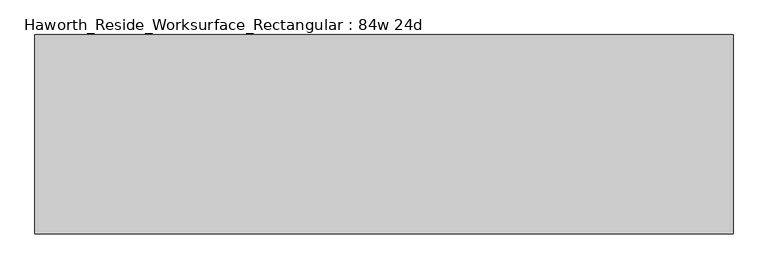
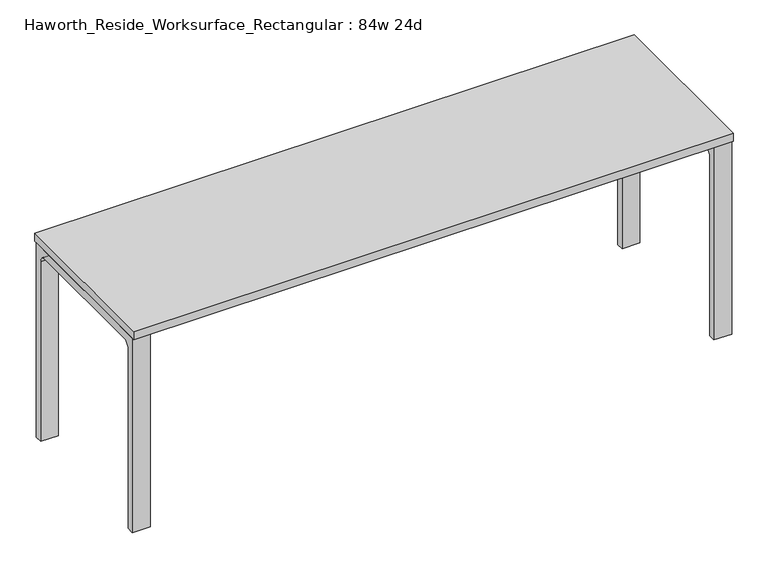
"""IFC4 building model written with IfcOpenShell, lengths in millimetres: furniture geometry, Haworth_Reside_Worksurface_Rectangular : 84w 24d."""

import ifcopenshell
import ifcopenshell.guid

model = None  # the IFC model being written
_history = None  # IfcOwnerHistory: only IFC2X3 demands one
_inside = {}  # id of a spatial element -> (the spatial element, [elements in it])
_under = {}  # id of a project, library or spatial element -> (it, [spatial elements below it])
_declared = {}  # id of a project -> (the project, [libraries it declares])
_typed = {}  # id of a type object -> (the type object, [elements of that type])
_made_of = {}  # id of a material, layer set ... -> (it, [elements and type objects made of it])


def new_model(schema):
    """Start an empty IFC model of exactly this schema.

    Asked for "IFC4X3", IfcOpenShell would pick the latest addendum, in which some entities
    have other attributes; the version numbers below select the first issue.
    IFC2X3 requires an IfcOwnerHistory on every rooted entity: one is made here for all.
    """
    global model, _history
    if schema == "IFC4X3":
        model = ifcopenshell.file(schema_version=(4, 3, 0, 0))
    else:
        model = ifcopenshell.file(schema=schema)
    _inside.clear()
    _under.clear()
    _declared.clear()
    _typed.clear()
    _made_of.clear()
    _history = None
    if model.schema == "IFC2X3":
        org = make("IfcOrganization", Name="unknown")
        user = make(
            "IfcPersonAndOrganization",
            ThePerson=make("IfcPerson", FamilyName="unknown"),
            TheOrganization=org,
        )
        app = make(
            "IfcApplication",
            ApplicationDeveloper=org,
            Version="unknown",
            ApplicationFullName="unknown",
            ApplicationIdentifier="unknown",
        )
        _history = make(
            "IfcOwnerHistory",
            OwningUser=user,
            OwningApplication=app,
            ChangeAction="ADDED",
            CreationDate=0,
        )
    return model


def make(cls, **values):
    """One entity of the class cls with the attributes given. An attribute that is None is left unset."""
    return model.create_entity(
        cls, **{name: value for name, value in values.items() if value is not None}
    )


def rooted(cls, **values):
    """An entity with a GlobalId (a new one), such as an element, a storey or a relation."""
    return make(cls, GlobalId=ifcopenshell.guid.new(), OwnerHistory=_history, **values)


def si_unit(unit_type, name, prefix=None):
    """IfcSIUnit, for example si_unit("LENGTHUNIT", "METRE", prefix="MILLI")."""
    return make("IfcSIUnit", UnitType=unit_type, Prefix=prefix, Name=name)


def assignment(units):
    """IfcUnitAssignment: the units of a project."""
    return None if units is None else make("IfcUnitAssignment", Units=units)


def point(xyz):
    """IfcCartesianPoint."""
    return None if xyz is None else make("IfcCartesianPoint", Coordinates=xyz)


def direction(xyz):
    """IfcDirection."""
    return None if xyz is None else make("IfcDirection", DirectionRatios=xyz)


def frame(location, z_axis=None, x_axis=None):
    """IfcAxis2Placement3D, a coordinate frame: its origin and axes. An axis left out is left unset."""
    return make(
        "IfcAxis2Placement3D",
        Location=point(location),
        Axis=direction(z_axis),
        RefDirection=direction(x_axis),
    )


def frame_2d(location, x_axis=None):
    """IfcAxis2Placement2D, a coordinate frame in the plane: its origin and x axis."""
    return make(
        "IfcAxis2Placement2D", Location=point(location), RefDirection=direction(x_axis)
    )


def origin():
    """The frame at (0, 0, 0) with its axes left unset."""
    return frame((0.0, 0.0, 0.0))


def place(relative_to, where):
    """IfcLocalPlacement: puts the frame where relative to a parent placement (None: the world)."""
    return make(
        "IfcLocalPlacement", PlacementRelTo=relative_to, RelativePlacement=where
    )


def context(
    kind, dimensions, precision=None, world=None, true_north=None, identifier=None
):
    """IfcGeometricRepresentationContext, for example the 3D "Model" context."""
    return make(
        "IfcGeometricRepresentationContext",
        ContextIdentifier=identifier,
        ContextType=kind,
        CoordinateSpaceDimension=dimensions,
        Precision=precision,
        WorldCoordinateSystem=world,
        TrueNorth=true_north,
    )


def project(units=None, contexts=None):
    """IfcProject with its units and contexts."""
    return rooted(
        "IfcProject",
        Name="project",
        RepresentationContexts=contexts,
        UnitsInContext=assignment(units),
    )


def spatial(cls, under=None, at=None, **own):
    """A site, building, storey or space (cls), placed at a placement, below another one or the project."""
    s = rooted(cls, ObjectPlacement=at, **own)
    if under is not None:
        _under.setdefault(under.id(), (under, []))[1].append(s)
    return s


def polyline(points):
    """IfcPolyline through the points."""
    return make("IfcPolyline", Points=[point(p) for p in points])


def circle_curve(where, radius):
    """IfcCircle in the frame where."""
    return make("IfcCircle", Position=where, Radius=radius)


def trimmed(basis, trim1, trim2, sense, master):
    """IfcTrimmedCurve: the piece of a basis curve between two trims."""
    return make(
        "IfcTrimmedCurve",
        BasisCurve=basis,
        Trim1=trim1,
        Trim2=trim2,
        SenseAgreement=sense,
        MasterRepresentation=master,
    )


def segment(curve, same_sense, transition):
    """IfcCompositeCurveSegment."""
    return make(
        "IfcCompositeCurveSegment",
        Transition=transition,
        SameSense=same_sense,
        ParentCurve=curve,
    )


def composite_curve(segments, self_intersect=None):
    """IfcCompositeCurve: segments joined end to end."""
    return make("IfcCompositeCurve", Segments=segments, SelfIntersect=self_intersect)


def outline(outer, holes=None, kind="AREA"):
    """IfcArbitraryClosedProfileDef: a profile drawn as a closed curve; with holes, ...WithVoids."""
    if holes is None:
        return make("IfcArbitraryClosedProfileDef", ProfileType=kind, OuterCurve=outer)
    return make(
        "IfcArbitraryProfileDefWithVoids",
        ProfileType=kind,
        OuterCurve=outer,
        InnerCurves=holes,
    )


def extrude(swept, where, along, depth):
    """IfcExtrudedAreaSolid: the profile swept, set in the frame where, extruded along a direction by depth."""
    return make(
        "IfcExtrudedAreaSolid",
        SweptArea=swept,
        Position=where,
        ExtrudedDirection=direction(along),
        Depth=depth,
    )


def shape(context_of_items, identifier, shape_type, items):
    """IfcShapeRepresentation: the items that make up one representation, for example the "Body"."""
    return make(
        "IfcShapeRepresentation",
        ContextOfItems=context_of_items,
        RepresentationIdentifier=identifier,
        RepresentationType=shape_type,
        Items=items,
    )


def source(mapping_origin, context_of_items, identifier, shape_type, items):
    """IfcRepresentationMap: a shape defined once, which mapped items show again and again."""
    return make(
        "IfcRepresentationMap",
        MappingOrigin=mapping_origin,
        MappedRepresentation=shape(context_of_items, identifier, shape_type, items),
    )


def transform(
    local_origin,
    x_axis=None,
    y_axis=None,
    z_axis=None,
    scale=None,
    scale2=None,
    scale3=None,
    uniform=True,
):
    """IfcCartesianTransformationOperator3D, or its non-uniform kind. x_axis, y_axis, z_axis: its Axis1, 2, 3."""
    if uniform:
        return make(
            "IfcCartesianTransformationOperator3D",
            Axis1=direction(x_axis),
            Axis2=direction(y_axis),
            LocalOrigin=point(local_origin),
            Scale=scale,
            Axis3=direction(z_axis),
        )
    return make(
        "IfcCartesianTransformationOperator3DnonUniform",
        Axis1=direction(x_axis),
        Axis2=direction(y_axis),
        LocalOrigin=point(local_origin),
        Scale=scale,
        Axis3=direction(z_axis),
        Scale2=scale2,
        Scale3=scale3,
    )


def mapped(mapping_source, mapping_target):
    """IfcMappedItem: shows the shape of a source again, moved by a transform."""
    return make(
        "IfcMappedItem", MappingSource=mapping_source, MappingTarget=mapping_target
    )


def made_of(thing, what):
    """Note that an element or type object is made of a material, layer set ...; save() writes the relation."""
    if what is not None:
        _made_of.setdefault(what.id(), (what, []))[1].append(thing)
    return thing


def element(
    cls,
    number,
    at=None,
    inside=None,
    cuts=None,
    type_object=None,
    material=None,
    context=None,
    identifier="Body",
    shape_type=None,
    held_by="IfcProductDefinitionShape",
    body=None,
    shapes=None,
    **own,
):
    """One element of the class cls, such as IfcWall. Its Tag is "e" and its number.

    at: its placement. inside: the storey or other place that contains it. cuts: it is an
    opening in that element (IfcRelVoidsElement). A single representation is given by context,
    identifier, shape_type and body (its items); several are given by shapes. held_by: the class
    of the entity that holds the representations. save() writes the other relations.
    """
    e = rooted(cls, Tag="e%d" % number, ObjectPlacement=at, **own)
    if body is not None:
        shapes = [shape(context, identifier, shape_type, body)]
    if shapes is not None:
        e.Representation = make(held_by, Representations=shapes)
    if inside is not None:
        _inside.setdefault(inside.id(), (inside, []))[1].append(e)
    if cuts is not None:
        rooted(
            "IfcRelVoidsElement", RelatingBuildingElement=cuts, RelatedOpeningElement=e
        )
    if type_object is not None:
        _typed.setdefault(type_object.id(), (type_object, []))[1].append(e)
    return made_of(e, material)


def aggregate(whole, parts):
    """IfcRelAggregates: a whole, such as a stair, and the parts it consists of."""
    return rooted("IfcRelAggregates", RelatingObject=whole, RelatedObjects=parts)


def save(model, path):
    """Write the relations noted so far, then the file.

    IfcRelAggregates (storeys below a building ...), IfcRelContainedInSpatialStructure (elements
    in a storey), IfcRelDefinesByType, IfcRelAssociatesMaterial and IfcRelDeclares: one each for
    every whole, place, type object, material and project.
    """
    for whole, parts in _under.values():
        aggregate(whole, parts)
    for where, things in _inside.values():
        rooted(
            "IfcRelContainedInSpatialStructure",
            RelatedElements=things,
            RelatingStructure=where,
        )
    for kind, things in _typed.values():
        rooted("IfcRelDefinesByType", RelatedObjects=things, RelatingType=kind)
    for what, things in _made_of.values():
        rooted("IfcRelAssociatesMaterial", RelatedObjects=things, RelatingMaterial=what)
    for by, libraries in _declared.values():
        rooted("IfcRelDeclares", RelatingContext=by, RelatedDefinitions=libraries)
    model.write(path)


def haworth_reside_worksurface_rectangular_84w_24d_b33cf019(model_context):
    return source(origin(), model_context, "Body", "SweptSolid", [
        extrude(outline(composite_curve([segment(trimmed(circle_curve(frame_2d((244.475, 676.275)), 25.4), [point((269.875, 676.275))], [point((244.475, 701.675))], True, "CARTESIAN"), True, "CONTINUOUS"), segment(polyline([(244.475, 701.675), (-244.475, 701.675)]), True, "CONTINUOUS"), segment(trimmed(circle_curve(frame_2d((-244.475, 676.275)), 25.4), [point((-244.475, 701.675))], [point((-269.875, 676.275))], True, "CARTESIAN"), True, "CONTINUOUS"), segment(polyline([(-269.875, 676.275), (-269.875, 0.0), (-295.275, 0.0), (-295.275, 731.8375), (295.275, 731.8375), (295.275, 0.0), (269.875, 0.0), (269.875, 676.275)]), True, "CONTINUOUS")], self_intersect=False)), frame((1003.3, 0.0, 0.0), z_axis=(1.0, 0.0, 0.0), x_axis=(0.0, 1.0, 0.0)), (0.0, 0.0, 1.0), 63.5),
        extrude(outline(composite_curve([segment(trimmed(circle_curve(frame_2d((244.475, 676.275)), 25.4), [point((269.875, 676.275))], [point((244.475, 701.675))], True, "CARTESIAN"), True, "CONTINUOUS"), segment(polyline([(244.475, 701.675), (-244.475, 701.675)]), True, "CONTINUOUS"), segment(trimmed(circle_curve(frame_2d((-244.475, 676.275)), 25.4), [point((-244.475, 701.675))], [point((-269.875, 676.275))], True, "CARTESIAN"), True, "CONTINUOUS"), segment(polyline([(-269.875, 676.275), (-269.875, 0.0), (-295.275, 0.0), (-295.275, 731.8375), (295.275, 731.8375), (295.275, 0.0), (269.875, 0.0), (269.875, 676.275)]), True, "CONTINUOUS")], self_intersect=False)), frame((-1066.8, 0.0, 0.0), z_axis=(1.0, 0.0, 0.0), x_axis=(0.0, 1.0, 0.0)), (0.0, 0.0, 1.0), 63.5),
        extrude(outline(polyline([(1066.8, 304.8), (1066.8, -304.8), (-1066.8, -304.8), (-1066.8, 304.8), (1066.8, 304.8)])), frame((0.0, 0.0, 731.8375), z_axis=(0.0, 0.0, 1.0), x_axis=(1.0, 0.0, 0.0)), (0.0, 0.0, 1.0), 30.1625),
    ])


if __name__ == "__main__":
    model = new_model("IFC4")
    model_context = context("Model", 3, world=origin())
    ifc_project = project(units=[si_unit("LENGTHUNIT", "METRE", prefix="MILLI")], contexts=[model_context])
    site = spatial("IfcSite", under=ifc_project)
    building = spatial("IfcBuilding", under=site)
    placement = place(None, origin())
    haworth_reside_worksurface_rectangular_84w_24d_shape = haworth_reside_worksurface_rectangular_84w_24d_b33cf019(model_context)
    element("IfcFurniture", 1, ObjectType="Haworth_Reside_Worksurface_Rectangular : 84w 24d", at=placement, inside=building, context=model_context, shape_type="MappedRepresentation", body=[
        mapped(haworth_reside_worksurface_rectangular_84w_24d_shape, transform((0.0, 0.0, 0.0), x_axis=(1.0, 0.0, 0.0), y_axis=(0.0, 1.0, 0.0), z_axis=(0.0, 0.0, 1.0))),
    ])
    save(model, "model.ifc")
